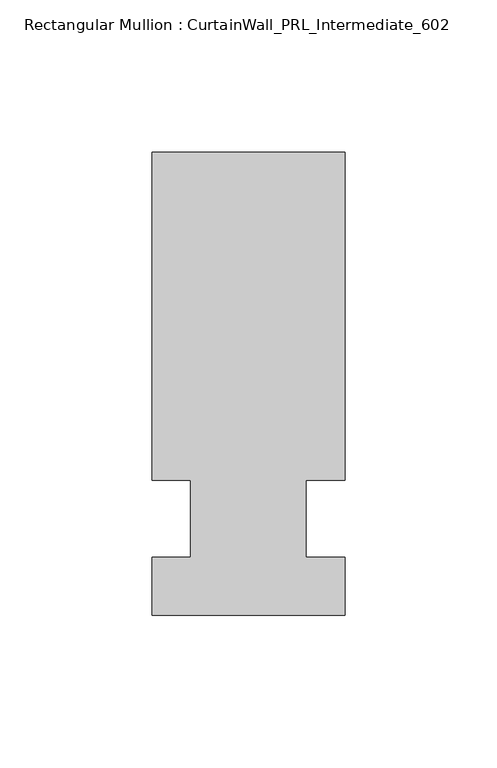
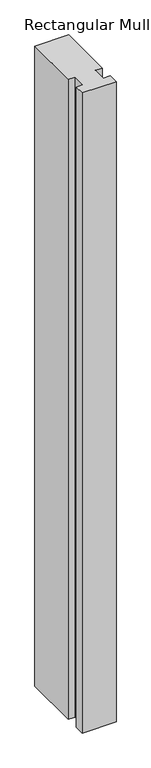
"""IFC4 building model written with IfcOpenShell, lengths in millimetres: member geometry, Rectangular Mullion : CurtainWall_PRL_Intermediate_602."""

from ifc_helpers import new_model, si_unit, frame, origin, place, context, project, spatial, polyline, outline, extrude, source, transform, mapped, element, save


def rectangular_mullion_curtainwall_prl_intermediate_602_c624e77e(model_context):
    return source(origin(), model_context, "Body", "SweptSolid", [
        extrude(outline(polyline([(-19.05, 12.7), (-31.75, 12.7), (-31.75, 120.65), (31.75, 120.65), (31.75, 12.7), (19.05, 12.7), (19.05, -12.7), (31.75, -12.7), (31.75, -31.75), (-31.75, -31.75), (-31.75, -12.7), (-19.05, -12.7), (-19.05, 12.7)])), frame((0.0, 0.0, -1263.65), z_axis=(0.0, 0.0, 1.0), x_axis=(1.0, 0.0, 0.0)), (0.0, 0.0, 1.0), 1263.65),
    ])


if __name__ == "__main__":
    model = new_model("IFC4")
    model_context = context("Model", 3, world=origin())
    ifc_project = project(units=[si_unit("LENGTHUNIT", "METRE", prefix="MILLI")], contexts=[model_context])
    site = spatial("IfcSite", under=ifc_project)
    building = spatial("IfcBuilding", under=site)
    placement = place(None, origin())
    rectangular_mullion_curtainwall_prl_intermediate_602_shape = rectangular_mullion_curtainwall_prl_intermediate_602_c624e77e(model_context)
    element("IfcMember", 1, ObjectType="Rectangular Mullion : CurtainWall_PRL_Intermediate_602", at=placement, inside=building, context=model_context, shape_type="MappedRepresentation", body=[
        mapped(rectangular_mullion_curtainwall_prl_intermediate_602_shape, transform((0.0, 0.0, 0.0), x_axis=(1.0, 0.0, 0.0), y_axis=(0.0, 1.0, 0.0), z_axis=(0.0, 0.0, 1.0))),
    ])
    save(model, "model.ifc")
